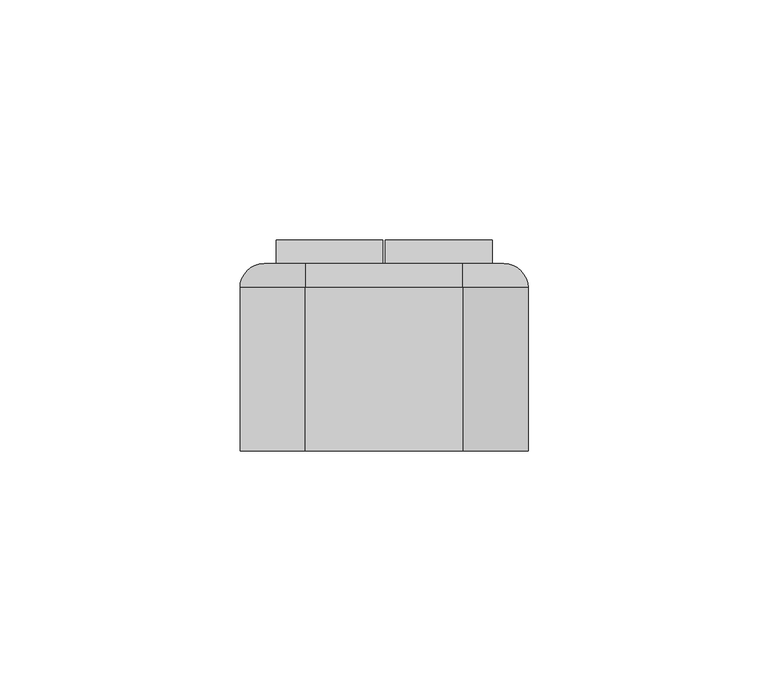
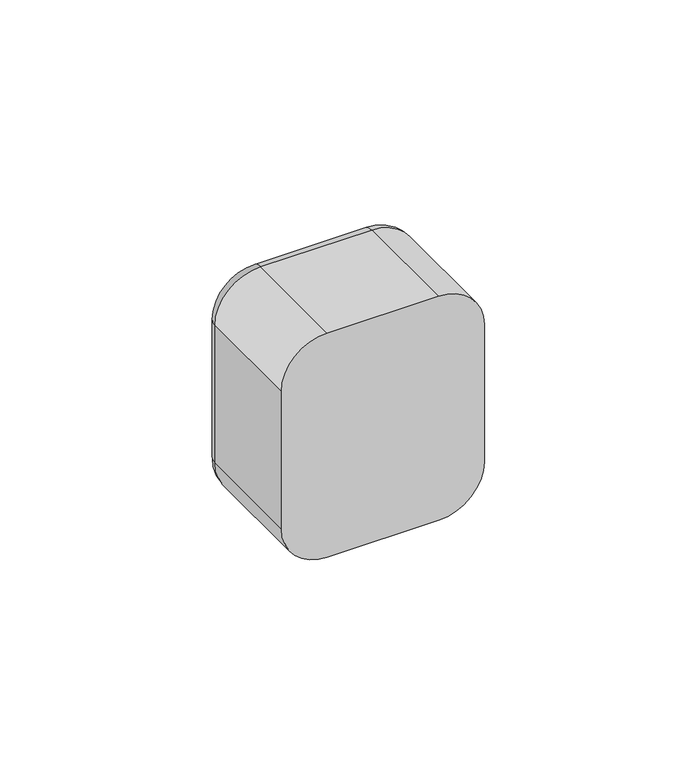
"""IFC4 building model written with IfcOpenShell, lengths in millimetres: switching device geometry."""

from ifc_helpers import new_model, si_unit, point, frame, origin, place, context, project, spatial, polyline, circle_curve, ellipse_curve, trimmed, outline, extrude, source, transform, mapped, element, save
from ifc_brep_helpers import plane_surface, cylinder_surface, revolved_surface, advanced_brep


def switching_device_a9c85707(model_context):
    return source(origin(), model_context, "Body", "SolidModel", [
        advanced_brep(
        [(16.4328665, 39.0, 30.0), (25.0, 39.0, 21.4328665), (25.0, 39.0, -21.4328665), (16.4328665, 39.0, -30.0), (-16.4328665, 39.0, -30.0), (-25.0, 39.0, -21.4328665), (-25.0, 39.0, 21.4328665), (-16.4328665, 39.0, 30.0), (22.5, 39.0, 22.5), (-22.5, 39.0, 22.5), (-22.5, 39.0, -22.5), (22.5, 39.0, -22.5), (-16.4328665, 0.0, 35.0), (-30.0, 0.0, 21.4328665), (-30.0, 0.0, -21.4328665), (-16.4328665, 0.0, -35.0), (16.4328665, 0.0, -35.0), (30.0, 0.0, -21.4328665), (30.0, 0.0, 21.4328665), (16.4328665, 0.0, 35.0), (22.5, 2.0, -22.5), (22.5, 2.0, 22.5), (-22.5, 2.0, -22.5), (-22.5, 2.0, 22.5), (-30.0, 34.0, 21.4328665), (-30.0, 34.0, -21.4328665), (-16.4328665, 34.0, -35.0), (16.4328665, 34.0, -35.0), (30.0, 34.0, -21.4328665), (30.0, 34.0, 21.4328665), (16.4328665, 34.0000072, 35.0), (-16.4328665, 34.0, 35.0)],
        [
            (0, 1, circle_curve(frame((16.4328665, 39.0, 21.4328665), z_axis=(0.0, 1.0, 0.0), x_axis=(0.0, 0.0, 1.0)), 8.5671335)),
            (1, 2),
            (2, 3, circle_curve(frame((16.4328665, 39.0, -21.4328665), z_axis=(0.0, 1.0, 0.0), x_axis=(1.0, 0.0, 0.0)), 8.5671335)),
            (3, 4),
            (4, 5, circle_curve(frame((-16.4328665, 39.0, -21.4328665), z_axis=(0.0, 1.0, 0.0), x_axis=(0.0, 0.0, -1.0)), 8.5671335)),
            (5, 6),
            (6, 7, circle_curve(frame((-16.4328665, 39.0, 21.4328665), z_axis=(0.0, 1.0, 0.0), x_axis=(-1.0, 0.0, 0.0)), 8.5671335)),
            (7, 0),
            (8, 9),
            (9, 10),
            (10, 11),
            (11, 8),
            (12, 13, circle_curve(frame((-16.4328665, 0.0, 21.4328665), z_axis=(0.0, -1.0, 0.0), x_axis=(1.0, 0.0, 0.0)), 13.5671335)),
            (13, 14),
            (14, 15, circle_curve(frame((-16.4328665, 0.0, -21.4328665), z_axis=(0.0, -1.0, 0.0), x_axis=(1.0, 0.0, 0.0)), 13.5671335)),
            (15, 16),
            (16, 17, circle_curve(frame((16.4328665, 0.0, -21.4328665), z_axis=(0.0, -1.0, 0.0), x_axis=(1.0, 0.0, 0.0)), 13.5671335)),
            (17, 18),
            (18, 19, circle_curve(frame((16.4328665, 0.0, 21.4328665), z_axis=(0.0, -1.0, 0.0), x_axis=(1.0, 0.0, 0.0)), 13.5671335)),
            (19, 12),
            (11, 20),
            (20, 21),
            (21, 8),
            (10, 22),
            (22, 20),
            (9, 23),
            (23, 22),
            (21, 23),
            (13, 24),
            (24, 25),
            (25, 14),
            (15, 26),
            (26, 27),
            (27, 16),
            (17, 28),
            (28, 29),
            (29, 18),
            (19, 30),
            (30, 31),
            (31, 12),
            (31, 24, circle_curve(frame((-16.4328665, 34.0, 21.4328665), z_axis=(0.0, -1.0, 0.0), x_axis=(1.0, 0.0, 0.0)), 13.5671335)),
            (25, 26, circle_curve(frame((-16.4328665, 34.0, -21.4328665), z_axis=(0.0, -1.0, 0.0), x_axis=(1.0, 0.0, 0.0)), 13.5671335)),
            (27, 28, circle_curve(frame((16.4328665, 34.0, -21.4328665), z_axis=(0.0, -1.0, 0.0), x_axis=(1.0, 0.0, 0.0)), 13.5671335)),
            (29, 30, circle_curve(frame((16.4328665, 34.0, 21.4328665), z_axis=(0.0, -1.0, 0.0), x_axis=(1.0, 0.0, 0.0)), 13.5671335)),
            (29, 1, circle_curve(frame((25.0, 34.0, 21.4328665), z_axis=(0.0, 0.0, 1.0), x_axis=(0.0, 1.0, 0.0)), 5.0)),
            (0, 30, circle_curve(frame((16.4328665, 34.0, 30.0), z_axis=(1.0, 0.0, 0.0), x_axis=(0.0, 1.0, 0.0)), 5.0)),
            (28, 2, circle_curve(frame((25.0, 34.0, -21.4328665), z_axis=(0.0, 0.0, 1.0), x_axis=(0.0, 1.0, 0.0)), 5.0)),
            (27, 3, circle_curve(frame((16.4328665, 34.0, -30.0), z_axis=(1.0, 0.0, 0.0), x_axis=(0.0, 1.0, 0.0)), 5.0)),
            (26, 4, circle_curve(frame((-16.4328665, 34.0, -30.0), z_axis=(1.0, 0.0, 0.0), x_axis=(0.0, 1.0, 0.0)), 5.0)),
            (25, 5, circle_curve(frame((-25.0, 34.0, -21.4328665), z_axis=(0.0, 0.0, -1.0), x_axis=(0.0, 1.0, 0.0)), 5.0)),
            (24, 6, circle_curve(frame((-25.0, 34.0, 21.4328665), z_axis=(0.0, 0.0, -1.0), x_axis=(0.0, 1.0, 0.0)), 5.0)),
            (31, 7, circle_curve(frame((-16.4328665, 34.0, 30.0), z_axis=(-1.0, 0.0, 0.0), x_axis=(0.0, 1.0, 0.0)), 5.0)),
        ],
        [
            plane_surface(frame((22.5, 39.0, 6.9412233), z_axis=(0.0, 1.0, 0.0), x_axis=(0.0, 0.0, 1.0))),
            plane_surface(frame((22.5, 0.0, 6.9412233), z_axis=(0.0, -1.0, 0.0), x_axis=(0.0, 0.0, -1.0))),
            plane_surface(frame((22.5, 0.0, 22.5), z_axis=(-1.0, 0.0, 0.0), x_axis=(0.0, 1.0, 0.0))),
            plane_surface(frame((22.5, 0.0, -22.5), z_axis=(0.0, 0.0, 1.0), x_axis=(0.0, 1.0, 0.0))),
            plane_surface(frame((-22.5, 0.0, -22.5), z_axis=(1.0, 0.0, 0.0), x_axis=(0.0, 1.0, 0.0))),
            plane_surface(frame((-22.5, 0.0, 22.5), z_axis=(0.0, 0.0, -1.0), x_axis=(0.0, 1.0, 0.0))),
            plane_surface(frame((-30.0, 0.0, 21.4328665), z_axis=(-1.0, 0.0, 0.0), x_axis=(0.0, 1.0, 0.0))),
            plane_surface(frame((-16.4328665, 0.0, -35.0), z_axis=(0.0, 0.0, -1.0), x_axis=(0.0, 1.0, 0.0))),
            plane_surface(frame((30.0, 0.0, -21.4328665), z_axis=(1.0, 0.0, 0.0), x_axis=(0.0, 1.0, 0.0))),
            plane_surface(frame((16.4328665, 0.0, 35.0), z_axis=(0.0, 0.0, 1.0), x_axis=(0.0, 1.0, 0.0))),
            cylinder_surface(frame((-16.4328665, 0.0, 21.4328665), z_axis=(0.0, -1.0, 0.0), x_axis=(1.0, 0.0, 0.0)), 13.5671335),
            cylinder_surface(frame((-16.4328665, 0.0, -21.4328665), z_axis=(0.0, -1.0, 0.0), x_axis=(1.0, 0.0, 0.0)), 13.5671335),
            cylinder_surface(frame((16.4328665, 0.0, -21.4328665), z_axis=(0.0, -1.0, 0.0), x_axis=(1.0, 0.0, 0.0)), 13.5671335),
            cylinder_surface(frame((16.4328665, 0.0, 21.4328665), z_axis=(0.0, -1.0, 0.0), x_axis=(1.0, 0.0, 0.0)), 13.5671335),
            plane_surface(frame((-22.5, 2.0, 31.0), z_axis=(0.0, 1.0, 0.0), x_axis=(0.0, 0.0, 1.0))),
            revolved_surface(trimmed(ellipse_curve(frame((16.4328665, 34.0, 30.0), z_axis=(-1.0, 0.0, 0.0), x_axis=(0.0, 1.0, 0.0)), 5.0, 5.0), [point((16.4328665, 34.0, 35.0))], [point((16.4328665, 39.0, 30.0))], True, "CARTESIAN"), (16.4328665, 39.0, 21.4328665), (0.0, 1.0, 0.0)),
            cylinder_surface(frame((25.0, 34.0, 21.4328665), z_axis=(0.0, 0.0, -1.0), x_axis=(0.0, 1.0, 0.0)), 5.0),
            revolved_surface(trimmed(ellipse_curve(frame((25.0, 34.0, -21.4328665), z_axis=(0.0, 0.0, 1.0), x_axis=(0.0, 1.0, 0.0)), 5.0, 5.0), [point((30.0, 34.0, -21.4328665))], [point((25.0, 39.0, -21.4328665))], True, "CARTESIAN"), (16.4328665, 39.0, -21.4328665), (0.0, 1.0, 0.0)),
            cylinder_surface(frame((16.4328665, 34.0, -30.0), z_axis=(-1.0, 0.0, 0.0), x_axis=(0.0, 1.0, 0.0)), 5.0),
            revolved_surface(trimmed(ellipse_curve(frame((-16.4328665, 34.0, -30.0), z_axis=(1.0, 0.0, 0.0), x_axis=(0.0, 1.0, 0.0)), 5.0, 5.0), [point((-16.4328665, 34.0, -35.0))], [point((-16.4328665, 39.0, -30.0))], True, "CARTESIAN"), (-16.4328665, 39.0, -21.4328665), (0.0, 1.0, 0.0)),
            cylinder_surface(frame((-25.0, 34.0, -21.4328665), z_axis=(0.0, 0.0, 1.0), x_axis=(0.0, 1.0, 0.0)), 5.0),
            revolved_surface(trimmed(ellipse_curve(frame((-25.0, 34.0, 21.4328665), z_axis=(0.0, 0.0, -1.0), x_axis=(0.0, 1.0, 0.0)), 5.0, 5.0), [point((-30.0, 34.0, 21.4328665))], [point((-25.0, 39.0, 21.4328665))], True, "CARTESIAN"), (-16.4328665, 39.0, 21.4328665), (0.0, 1.0, 0.0)),
            cylinder_surface(frame((-16.4328665, 34.0, 30.0), z_axis=(1.0, 0.0, 0.0), x_axis=(0.0, 1.0, 0.0)), 5.0),
        ],
        [
            (0, [[1, 2, 3, 4, 5, 6, 7, 8], [9, 10, 11, 12]]),
            (1, [[13, 14, 15, 16, 17, 18, 19, 20]]),
            (2, [[-12, 21, 22, 23]]),
            (3, [[-11, 24, 25, -21]]),
            (4, [[-10, 26, 27, -24]]),
            (5, [[-9, -23, 28, -26]]),
            (6, [[-14, 29, 30, 31]]),
            (7, [[-16, 32, 33, 34]]),
            (8, [[-18, 35, 36, 37]]),
            (9, [[-20, 38, 39, 40]]),
            (10, [[-13, -40, 41, -29]]),
            (11, [[-15, -31, 42, -32]]),
            (12, [[-17, -34, 43, -35]]),
            (13, [[-19, -37, 44, -38]]),
            (14, [[-22, -25, -27, -28]]),
            (15, [[45, -1, 46, -44]]),
            (16, [[-45, -36, 47, -2]]),
            (17, [[-47, -43, 48, -3]]),
            (18, [[-48, -33, 49, -4]]),
            (19, [[-49, -42, 50, -5]]),
            (20, [[-50, -30, 51, -6]]),
            (21, [[-51, -41, 52, -7]]),
            (22, [[-46, -8, -52, -39]]),
        ],
    ),
        extrude(outline(polyline([(39.0, -22.5), (39.0, 22.5), (43.9850961, 21.9408026), (39.0, -22.5)])), frame((0.25, 0.0, 0.0), z_axis=(1.0, 0.0, 0.0), x_axis=(0.0, 1.0, 0.0)), (0.0, 0.0, 1.0), 22.25),
        extrude(outline(polyline([(39.0, -22.5), (39.0, 22.5), (43.9850961, 21.9408026), (39.0, -22.5)])), frame((-22.5, 0.0, 0.0), z_axis=(1.0, 0.0, 0.0), x_axis=(0.0, 1.0, 0.0)), (0.0, 0.0, 1.0), 22.25),
        extrude(outline(polyline([(22.5, 2.0), (-22.5, 2.0), (-22.5, 31.0), (22.5, 31.0), (22.5, 2.0)])), frame((0.0, 0.0, -22.5), z_axis=(0.0, 0.0, 1.0), x_axis=(1.0, 0.0, 0.0)), (0.0, 0.0, 1.0), 45.0),
        extrude(outline(polyline([(22.5, 31.0), (-22.5, 31.0), (-22.5, 39.0), (22.5, 39.0), (22.5, 31.0)])), frame((0.0, 0.0, -22.5), z_axis=(0.0, 0.0, 1.0), x_axis=(1.0, 0.0, 0.0)), (0.0, 0.0, 1.0), 45.0),
    ])


if __name__ == "__main__":
    model = new_model("IFC4")
    model_context = context("Model", 3, world=origin())
    ifc_project = project(units=[si_unit("LENGTHUNIT", "METRE", prefix="MILLI")], contexts=[model_context])
    site = spatial("IfcSite", under=ifc_project)
    building = spatial("IfcBuilding", under=site)
    placement = place(None, origin())
    switching_device_shape = switching_device_a9c85707(model_context)
    element("IfcSwitchingDevice", 1, at=placement, inside=building, context=model_context, shape_type="MappedRepresentation", body=[
        mapped(switching_device_shape, transform((0.0, 0.0, 0.0), x_axis=(1.0, 0.0, 0.0), y_axis=(0.0, 1.0, 0.0), z_axis=(0.0, 0.0, 1.0))),
    ])
    save(model, "model.ifc")
